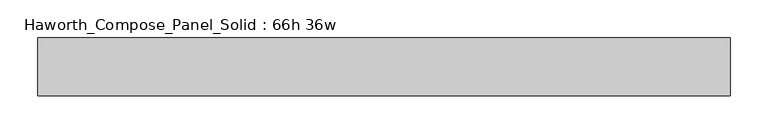
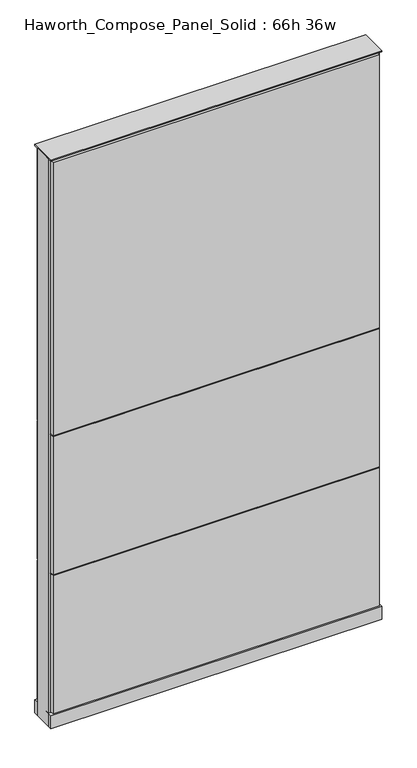
"""IFC4 building model written with IfcOpenShell, lengths in millimetres: furniture geometry, Haworth_Compose_Panel_Solid : 66h 36w."""

from ifc_helpers import new_model, si_unit, point, frame, frame_2d, origin, origin_with_axes, place, context, project, spatial, polyline, circle_curve, trimmed, segment, composite_curve, outline, extrude, source, transform, mapped, element, save


def haworth_compose_panel_solid_66h_36w_1fd75f25(model_context):
    return source(origin(), model_context, "Body", "SweptSolid", [
        extrude(outline(composite_curve([segment(trimmed(circle_curve(frame_2d((-378.5597098, 0.0)), 12.7), [point((-391.2597098, 0.0))], [point((-365.8597098, 0.0))], False, "CARTESIAN"), True, "CONTINUOUS"), segment(trimmed(circle_curve(frame_2d((-378.5597098, 0.0)), 12.7), [point((-365.8597098, 0.0))], [point((-391.2597098, 0.0))], False, "CARTESIAN"), True, "CONTINUOUS")], self_intersect=False)), origin_with_axes(), (0.0, 0.0, 1.0), 12.7),
        extrude(outline(composite_curve([segment(trimmed(circle_curve(frame_2d((383.4402902, 0.0)), 12.7), [point((370.7402902, 0.0))], [point((396.1402902, 0.0))], False, "CARTESIAN"), True, "CONTINUOUS"), segment(trimmed(circle_curve(frame_2d((383.4402902, 0.0)), 12.7), [point((396.1402902, 0.0))], [point((370.7402902, 0.0))], False, "CARTESIAN"), True, "CONTINUOUS")], self_intersect=False)), origin_with_axes(), (0.0, 0.0, 1.0), 12.7),
        extrude(outline(polyline([(453.2902902, 38.1), (453.2902902, 25.4), (-448.4097098, 25.4), (-448.4097098, 38.1), (453.2902902, 38.1)])), frame((0.0, 0.0, 866.775), z_axis=(0.0, 0.0, 1.0), x_axis=(1.0, 0.0, 0.0)), (0.0, 0.0, 1.0), 796.925),
        extrude(outline(polyline([(453.2902902, 38.1), (453.2902902, 25.4), (-448.4097098, 25.4), (-448.4097098, 38.1), (453.2902902, 38.1)])), frame((0.0, 0.0, 460.375), z_axis=(0.0, 0.0, 1.0), x_axis=(1.0, 0.0, 0.0)), (0.0, 0.0, 1.0), 403.225),
        extrude(outline(polyline([(453.2902902, 38.1), (453.2902902, 25.4), (-448.4097098, 25.4), (-448.4097098, 38.1), (453.2902902, 38.1)])), frame((0.0, 0.0, 53.975), z_axis=(0.0, 0.0, 1.0), x_axis=(1.0, 0.0, 0.0)), (0.0, 0.0, 1.0), 403.225),
        extrude(outline(polyline([(453.2902902, -38.1), (-448.4097098, -38.1), (-448.4097098, -25.4), (453.2902902, -25.4), (453.2902902, -38.1)])), frame((0.0, 0.0, 866.775), z_axis=(0.0, 0.0, 1.0), x_axis=(1.0, 0.0, 0.0)), (0.0, 0.0, 1.0), 796.925),
        extrude(outline(polyline([(453.2902902, -38.1), (-448.4097098, -38.1), (-448.4097098, -25.4), (453.2902902, -25.4), (453.2902902, -38.1)])), frame((0.0, 0.0, 460.375), z_axis=(0.0, 0.0, 1.0), x_axis=(1.0, 0.0, 0.0)), (0.0, 0.0, 1.0), 403.225),
        extrude(outline(polyline([(453.2902902, -38.1), (-448.4097098, -38.1), (-448.4097098, -25.4), (453.2902902, -25.4), (453.2902902, -38.1)])), frame((0.0, 0.0, 53.975), z_axis=(0.0, 0.0, 1.0), x_axis=(1.0, 0.0, 0.0)), (0.0, 0.0, 1.0), 403.225),
        extrude(outline(polyline([(459.6402902, 25.4), (459.6402902, -25.4), (-454.7597098, -25.4), (-454.7597098, 25.4), (459.6402902, 25.4)])), frame((0.0, 0.0, 12.7), z_axis=(0.0, 0.0, 1.0), x_axis=(1.0, 0.0, 0.0)), (0.0, 0.0, 1.0), 1657.35),
        extrude(outline(polyline([(-454.7597098, -38.1), (-454.7597098, 38.1), (459.6402902, 38.1), (459.6402902, -38.1), (-454.7597098, -38.1)])), frame((0.0, 0.0, 12.7), z_axis=(0.0, 0.0, 1.0), x_axis=(1.0, 0.0, 0.0)), (0.0, 0.0, 1.0), 38.1),
        extrude(outline(polyline([(-454.7597098, -38.1), (-454.7597098, 38.1), (459.6402902, 38.1), (459.6402902, -38.1), (-454.7597098, -38.1)])), frame((0.0, 0.0, 1670.05), z_axis=(0.0, 0.0, 1.0), x_axis=(1.0, 0.0, 0.0)), (0.0, 0.0, 1.0), 3.175),
    ])


if __name__ == "__main__":
    model = new_model("IFC4")
    model_context = context("Model", 3, world=origin())
    ifc_project = project(units=[si_unit("LENGTHUNIT", "METRE", prefix="MILLI")], contexts=[model_context])
    site = spatial("IfcSite", under=ifc_project)
    building = spatial("IfcBuilding", under=site)
    placement = place(None, origin())
    haworth_compose_panel_solid_66h_36w_shape = haworth_compose_panel_solid_66h_36w_1fd75f25(model_context)
    element("IfcFurniture", 1, ObjectType="Haworth_Compose_Panel_Solid : 66h 36w", at=placement, inside=building, context=model_context, shape_type="MappedRepresentation", body=[
        mapped(haworth_compose_panel_solid_66h_36w_shape, transform((0.0, 0.0, 0.0), x_axis=(1.0, 0.0, 0.0), y_axis=(0.0, 1.0, 0.0), z_axis=(0.0, 0.0, 1.0))),
    ])
    save(model, "model.ifc")
